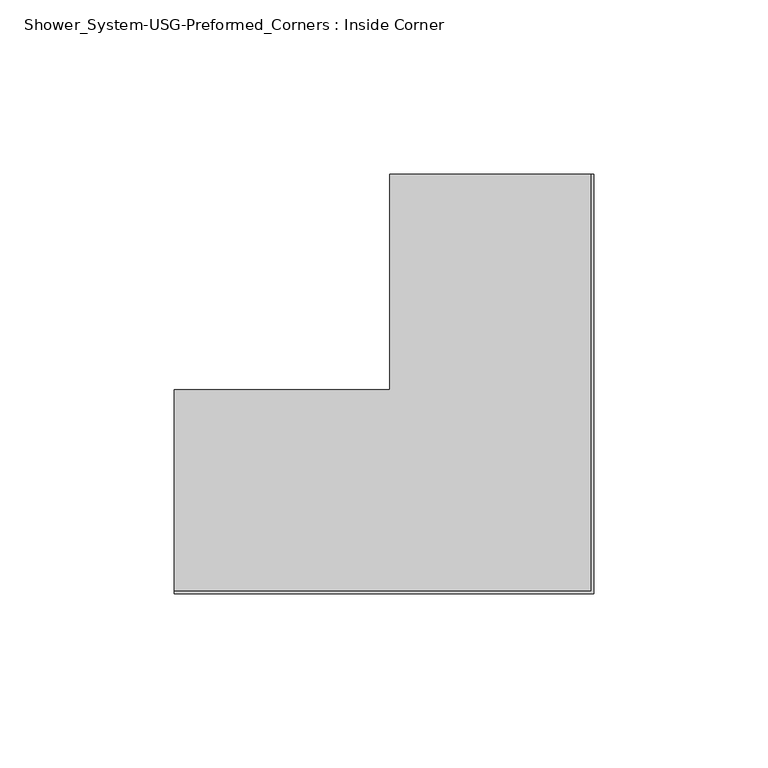
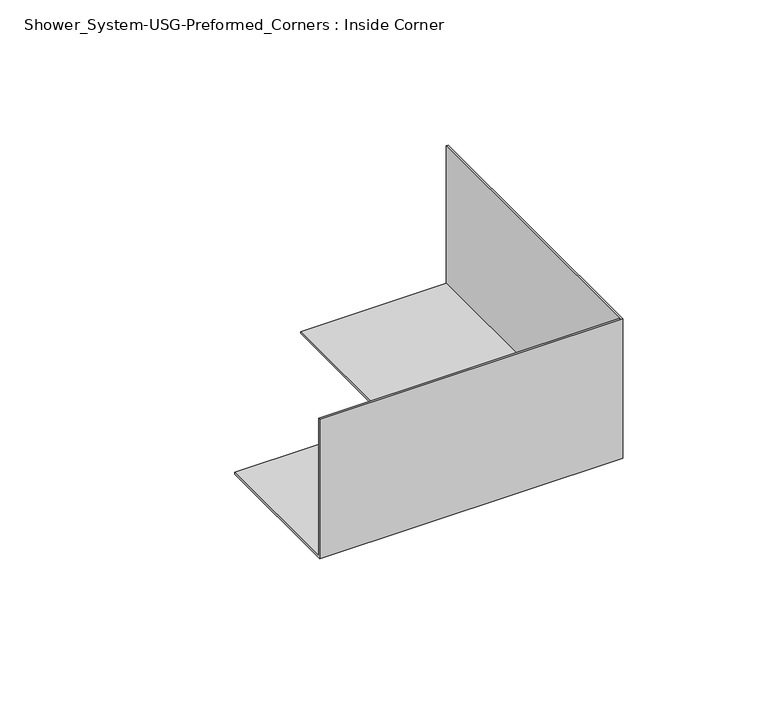
"""IFC4 building model written with IfcOpenShell, lengths in millimetres: proxy geometry, Shower_System-USG-Preformed_Corners : Inside Corner."""

from ifc_helpers import new_model, si_unit, origin, place, context, project, spatial, faceted_brep, source, transform, mapped, element, save


def shower_system_usg_preformed_corners_inside_corner_cb0aec05(model_context):
    return source(origin(), model_context, "Body", "Brep", [
        faceted_brep([(60.325, 60.325, 58.7375), (60.325, 60.325, 0.0), (1.5875, 60.325, 0.0), (1.5875, 60.325, 0.79375), (59.53125, 60.325, 0.79375), (59.53125, 60.325, 58.7375), (-60.325, -60.325, 58.7375), (-60.325, -59.53125, 58.7375), (-60.325, -59.53125, 0.79375), (-60.325, -1.5875, 0.79375), (-60.325, -1.5875, 0.0), (-60.325, -60.325, 0.0), (60.325, -60.325, 58.7375), (60.325, -60.325, 0.0), (1.5875, -1.5875, 0.0), (1.5875, -1.5875, 0.79375), (59.53125, -59.53125, 0.79375), (59.53125, -59.53125, 58.7375)], [[[0, 1, 2, 3, 4, 5]], [[6, 7, 8, 9, 10, 11]], [[1, 0, 12, 13]], [[2, 1, 13, 11, 10, 14]], [[3, 2, 14, 15]], [[4, 3, 15, 9, 8, 16]], [[5, 4, 16, 17]], [[0, 5, 17, 7, 6, 12]], [[13, 12, 6, 11]], [[15, 14, 10, 9]], [[17, 16, 8, 7]]]),
    ])


if __name__ == "__main__":
    model = new_model("IFC4")
    model_context = context("Model", 3, world=origin())
    ifc_project = project(units=[si_unit("LENGTHUNIT", "METRE", prefix="MILLI")], contexts=[model_context])
    site = spatial("IfcSite", under=ifc_project)
    building = spatial("IfcBuilding", under=site)
    placement = place(None, origin())
    shower_system_usg_preformed_corners_inside_corner_shape = shower_system_usg_preformed_corners_inside_corner_cb0aec05(model_context)
    element("IfcBuildingElementProxy", 1, Name="Shower_System-USG-Preformed_Corners : Inside Corner", ObjectType="Shower_System-USG-Preformed_Corners : Inside Corner", at=placement, inside=building, context=model_context, shape_type="MappedRepresentation", body=[
        mapped(shower_system_usg_preformed_corners_inside_corner_shape, transform((0.0, 0.0, 0.0), x_axis=(1.0, 0.0, 0.0), y_axis=(0.0, 1.0, 0.0), z_axis=(0.0, 0.0, 1.0))),
    ])
    save(model, "model.ifc")
